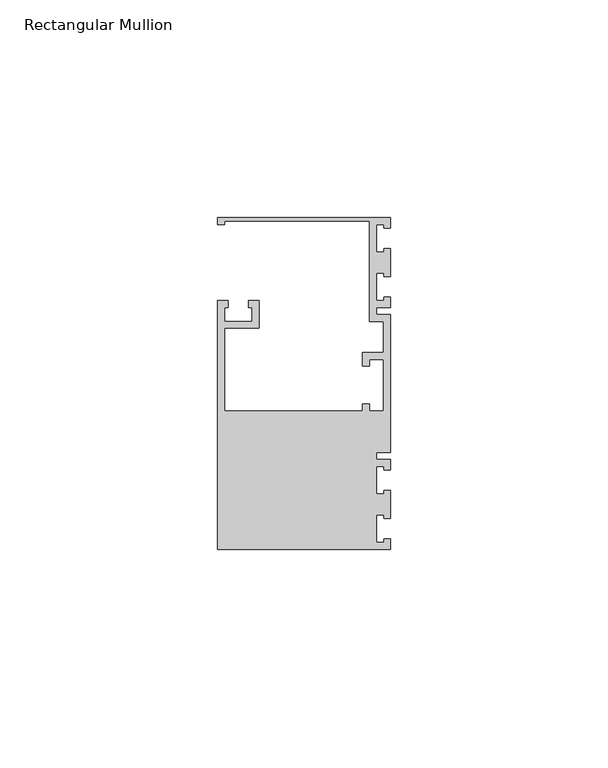
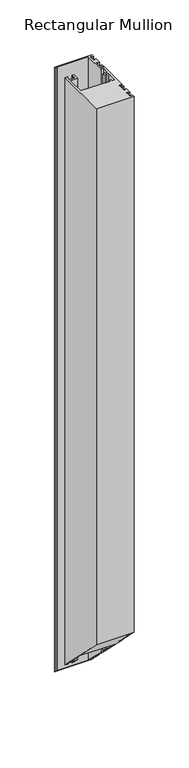
"""IFC4 building model written with IfcOpenShell, lengths in millimetres: member geometry, Rectangular Mullion."""

import ifcopenshell
import ifcopenshell.guid

model = None  # the IFC model being written
_history = None  # IfcOwnerHistory: only IFC2X3 demands one
_inside = {}  # id of a spatial element -> (the spatial element, [elements in it])
_under = {}  # id of a project, library or spatial element -> (it, [spatial elements below it])
_declared = {}  # id of a project -> (the project, [libraries it declares])
_typed = {}  # id of a type object -> (the type object, [elements of that type])
_made_of = {}  # id of a material, layer set ... -> (it, [elements and type objects made of it])


def new_model(schema):
    """Start an empty IFC model of exactly this schema.

    Asked for "IFC4X3", IfcOpenShell would pick the latest addendum, in which some entities
    have other attributes; the version numbers below select the first issue.
    IFC2X3 requires an IfcOwnerHistory on every rooted entity: one is made here for all.
    """
    global model, _history
    if schema == "IFC4X3":
        model = ifcopenshell.file(schema_version=(4, 3, 0, 0))
    else:
        model = ifcopenshell.file(schema=schema)
    _inside.clear()
    _under.clear()
    _declared.clear()
    _typed.clear()
    _made_of.clear()
    _history = None
    if model.schema == "IFC2X3":
        org = make("IfcOrganization", Name="unknown")
        user = make(
            "IfcPersonAndOrganization",
            ThePerson=make("IfcPerson", FamilyName="unknown"),
            TheOrganization=org,
        )
        app = make(
            "IfcApplication",
            ApplicationDeveloper=org,
            Version="unknown",
            ApplicationFullName="unknown",
            ApplicationIdentifier="unknown",
        )
        _history = make(
            "IfcOwnerHistory",
            OwningUser=user,
            OwningApplication=app,
            ChangeAction="ADDED",
            CreationDate=0,
        )
    return model


def make(cls, **values):
    """One entity of the class cls with the attributes given. An attribute that is None is left unset."""
    return model.create_entity(
        cls, **{name: value for name, value in values.items() if value is not None}
    )


def rooted(cls, **values):
    """An entity with a GlobalId (a new one), such as an element, a storey or a relation."""
    return make(cls, GlobalId=ifcopenshell.guid.new(), OwnerHistory=_history, **values)


def si_unit(unit_type, name, prefix=None):
    """IfcSIUnit, for example si_unit("LENGTHUNIT", "METRE", prefix="MILLI")."""
    return make("IfcSIUnit", UnitType=unit_type, Prefix=prefix, Name=name)


def assignment(units):
    """IfcUnitAssignment: the units of a project."""
    return None if units is None else make("IfcUnitAssignment", Units=units)


def point(xyz):
    """IfcCartesianPoint."""
    return None if xyz is None else make("IfcCartesianPoint", Coordinates=xyz)


def direction(xyz):
    """IfcDirection."""
    return None if xyz is None else make("IfcDirection", DirectionRatios=xyz)


def frame(location, z_axis=None, x_axis=None):
    """IfcAxis2Placement3D, a coordinate frame: its origin and axes. An axis left out is left unset."""
    return make(
        "IfcAxis2Placement3D",
        Location=point(location),
        Axis=direction(z_axis),
        RefDirection=direction(x_axis),
    )


def origin():
    """The frame at (0, 0, 0) with its axes left unset."""
    return frame((0.0, 0.0, 0.0))


def place(relative_to, where):
    """IfcLocalPlacement: puts the frame where relative to a parent placement (None: the world)."""
    return make(
        "IfcLocalPlacement", PlacementRelTo=relative_to, RelativePlacement=where
    )


def context(
    kind, dimensions, precision=None, world=None, true_north=None, identifier=None
):
    """IfcGeometricRepresentationContext, for example the 3D "Model" context."""
    return make(
        "IfcGeometricRepresentationContext",
        ContextIdentifier=identifier,
        ContextType=kind,
        CoordinateSpaceDimension=dimensions,
        Precision=precision,
        WorldCoordinateSystem=world,
        TrueNorth=true_north,
    )


def project(units=None, contexts=None):
    """IfcProject with its units and contexts."""
    return rooted(
        "IfcProject",
        Name="project",
        RepresentationContexts=contexts,
        UnitsInContext=assignment(units),
    )


def spatial(cls, under=None, at=None, **own):
    """A site, building, storey or space (cls), placed at a placement, below another one or the project."""
    s = rooted(cls, ObjectPlacement=at, **own)
    if under is not None:
        _under.setdefault(under.id(), (under, []))[1].append(s)
    return s


def faces_of(points, faces, orient=None, outer=None):
    """IfcFace entities. A face is a list of loops; a loop is a list of indices into points, from 0.

    orient and outer hold one flag for each loop. By default every Orientation is true, the
    first loop of a face is its IfcFaceOuterBound and the others are IfcFaceBound.
    """
    made = []
    for i, loops in enumerate(faces):
        bounds = []
        for j, loop in enumerate(loops):
            is_outer = j == 0 if outer is None else outer[i][j]
            bounds.append(
                make(
                    "IfcFaceOuterBound" if is_outer else "IfcFaceBound",
                    Bound=make("IfcPolyLoop", Polygon=[points[k] for k in loop]),
                    Orientation=True if orient is None else orient[i][j],
                )
            )
        made.append(make("IfcFace", Bounds=bounds))
    return made


def faceted_brep(points, faces, orient=None, outer=None, voids=None):
    """IfcFacetedBrep: a solid bounded by flat faces; with voids (closed shells), ...WithVoids."""
    shared = [point(p) for p in points]
    hull = make("IfcClosedShell", CfsFaces=faces_of(shared, faces, orient, outer))
    if voids is None:
        return make("IfcFacetedBrep", Outer=hull)
    return make(
        "IfcFacetedBrepWithVoids",
        Outer=hull,
        Voids=[
            make(cls, CfsFaces=faces_of(shared, fs, o, b)) for cls, fs, o, b in voids
        ],
    )


def shape(context_of_items, identifier, shape_type, items):
    """IfcShapeRepresentation: the items that make up one representation, for example the "Body"."""
    return make(
        "IfcShapeRepresentation",
        ContextOfItems=context_of_items,
        RepresentationIdentifier=identifier,
        RepresentationType=shape_type,
        Items=items,
    )


def source(mapping_origin, context_of_items, identifier, shape_type, items):
    """IfcRepresentationMap: a shape defined once, which mapped items show again and again."""
    return make(
        "IfcRepresentationMap",
        MappingOrigin=mapping_origin,
        MappedRepresentation=shape(context_of_items, identifier, shape_type, items),
    )


def transform(
    local_origin,
    x_axis=None,
    y_axis=None,
    z_axis=None,
    scale=None,
    scale2=None,
    scale3=None,
    uniform=True,
):
    """IfcCartesianTransformationOperator3D, or its non-uniform kind. x_axis, y_axis, z_axis: its Axis1, 2, 3."""
    if uniform:
        return make(
            "IfcCartesianTransformationOperator3D",
            Axis1=direction(x_axis),
            Axis2=direction(y_axis),
            LocalOrigin=point(local_origin),
            Scale=scale,
            Axis3=direction(z_axis),
        )
    return make(
        "IfcCartesianTransformationOperator3DnonUniform",
        Axis1=direction(x_axis),
        Axis2=direction(y_axis),
        LocalOrigin=point(local_origin),
        Scale=scale,
        Axis3=direction(z_axis),
        Scale2=scale2,
        Scale3=scale3,
    )


def mapped(mapping_source, mapping_target):
    """IfcMappedItem: shows the shape of a source again, moved by a transform."""
    return make(
        "IfcMappedItem", MappingSource=mapping_source, MappingTarget=mapping_target
    )


def made_of(thing, what):
    """Note that an element or type object is made of a material, layer set ...; save() writes the relation."""
    if what is not None:
        _made_of.setdefault(what.id(), (what, []))[1].append(thing)
    return thing


def element(
    cls,
    number,
    at=None,
    inside=None,
    cuts=None,
    type_object=None,
    material=None,
    context=None,
    identifier="Body",
    shape_type=None,
    held_by="IfcProductDefinitionShape",
    body=None,
    shapes=None,
    **own,
):
    """One element of the class cls, such as IfcWall. Its Tag is "e" and its number.

    at: its placement. inside: the storey or other place that contains it. cuts: it is an
    opening in that element (IfcRelVoidsElement). A single representation is given by context,
    identifier, shape_type and body (its items); several are given by shapes. held_by: the class
    of the entity that holds the representations. save() writes the other relations.
    """
    e = rooted(cls, Tag="e%d" % number, ObjectPlacement=at, **own)
    if body is not None:
        shapes = [shape(context, identifier, shape_type, body)]
    if shapes is not None:
        e.Representation = make(held_by, Representations=shapes)
    if inside is not None:
        _inside.setdefault(inside.id(), (inside, []))[1].append(e)
    if cuts is not None:
        rooted(
            "IfcRelVoidsElement", RelatingBuildingElement=cuts, RelatedOpeningElement=e
        )
    if type_object is not None:
        _typed.setdefault(type_object.id(), (type_object, []))[1].append(e)
    return made_of(e, material)


def aggregate(whole, parts):
    """IfcRelAggregates: a whole, such as a stair, and the parts it consists of."""
    return rooted("IfcRelAggregates", RelatingObject=whole, RelatedObjects=parts)


def save(model, path):
    """Write the relations noted so far, then the file.

    IfcRelAggregates (storeys below a building ...), IfcRelContainedInSpatialStructure (elements
    in a storey), IfcRelDefinesByType, IfcRelAssociatesMaterial and IfcRelDeclares: one each for
    every whole, place, type object, material and project.
    """
    for whole, parts in _under.values():
        aggregate(whole, parts)
    for where, things in _inside.values():
        rooted(
            "IfcRelContainedInSpatialStructure",
            RelatedElements=things,
            RelatingStructure=where,
        )
    for kind, things in _typed.values():
        rooted("IfcRelDefinesByType", RelatedObjects=things, RelatingType=kind)
    for what, things in _made_of.values():
        rooted("IfcRelAssociatesMaterial", RelatedObjects=things, RelatingMaterial=what)
    for by, libraries in _declared.values():
        rooted("IfcRelDeclares", RelatingContext=by, RelatedDefinitions=libraries)
    model.write(path)


def rectangular_mullion_adbbe4f5(model_context):
    return source(origin(), model_context, "Body", "Brep", [
        faceted_brep([(0.0, 38.1, 0.0), (-39.6875, 38.1, 0.0), (-39.6875, 36.5125, 0.0), (-38.1, 36.5125, 0.0), (-38.1, 37.30625, 0.0), (-4.7625, 37.30625, 0.0), (-4.7625, 14.2875, 0.0), (-1.5875, 14.2875, 0.0), (-1.5875, 7.14375, 0.0), (-6.35, 7.14375, 0.0), (-6.35, 3.96875, 0.0), (-4.7625, 3.96875, 0.0), (-4.7625, 5.55625, 0.0), (-1.5875, 5.55625, 0.0), (-1.5875, -6.35, 0.0), (-4.7625, -6.35, 0.0), (-4.7625, -4.7625, 0.0), (-6.35, -4.7625, 0.0), (-6.35, -6.35, 0.0), (-38.1, -6.35, 0.0), (-38.1, 12.7, 0.0), (-30.1625, 12.7, 0.0), (-30.1625, 19.05, 0.0), (-32.54375, 19.05, 0.0), (-32.54375, 17.4625, 0.0), (-31.75, 17.4625, 0.0), (-31.75, 14.2875, 0.0), (-38.1, 14.2875, 0.0), (-38.1, 17.4625, 0.0), (-37.30625, 17.4625, 0.0), (-37.30625, 19.05, 0.0), (-39.6875, 19.05, 0.0), (-39.6875, -38.1, 0.0), (0.0, -38.1, 0.0), (0.0, -35.71875, 0.0), (-1.4999946, -35.71875, 0.0), (-1.4999946, -36.5125, 0.0), (-3.175, -36.5125, 0.0), (-3.175, -30.1625, 0.0), (-1.4999946, -30.1625, 0.0), (-1.4999946, -30.95625, 0.0), (0.0, -30.95625, 0.0), (0.0, -24.60625, 0.0), (-1.4999946, -24.60625, 0.0), (-1.4999946, -25.4, 0.0), (-3.175, -25.4, 0.0), (-3.175, -19.05, 0.0), (-1.4999946, -19.05, 0.0), (-1.4999946, -19.84375, 0.0), (0.0, -19.84375, 0.0), (0.0, -17.4625, 0.0), (-3.175, -17.4625, 0.0), (-3.175, -15.875, 0.0), (0.0, -15.875, 0.0), (0.0, 15.875, 0.0), (-3.175, 15.875, 0.0), (-3.175, 17.4625, 0.0), (0.0, 17.4625, 0.0), (0.0, 19.84375, 0.0), (-1.4999946, 19.84375, 0.0), (-1.4999946, 19.05, 0.0), (-3.175, 19.05, 0.0), (-3.175, 25.4, 0.0), (-1.4999946, 25.4, 0.0), (-1.4999946, 24.60625, 0.0), (0.0, 24.60625, 0.0), (0.0, 30.95625, 0.0), (-1.4999946, 30.95625, 0.0), (-1.4999946, 30.1625, 0.0), (-3.175, 30.1625, 0.0), (-3.175, 36.5125, 0.0), (-1.4999946, 36.5125, 0.0), (-1.4999946, 35.71875, 0.0), (0.0, 35.71875, 0.0), (0.0, 38.1, -673.1), (-39.6875, 38.1, -673.1), (-39.6875, 36.5125, -671.5125), (-38.1, 36.5125, -671.5125), (-38.1, 37.30625, -672.30625), (-4.7625, 37.30625, -672.30625), (-4.7625, 14.2875, -649.2875), (-1.5875, 14.2875, -649.2875), (-1.5875, 7.14375, -642.14375), (-6.35, 7.14375, -642.14375), (-6.35, 3.96875, -638.96875), (-4.7625, 3.96875, -638.96875), (-4.7625, 5.55625, -640.55625), (-1.5875, 5.55625, -640.55625), (-1.5875, -6.35, -628.65), (-4.7625, -6.35, -628.65), (-4.7625, -4.7625, -630.2375), (-6.35, -4.7625, -630.2375), (-6.35, -6.35, -628.65), (-38.1, -6.35, -628.65), (-38.1, 12.7, -647.7), (-30.1625, 12.7, -647.7), (-30.1625, 19.05, -654.05), (-32.54375, 19.05, -654.05), (-32.54375, 17.4625, -652.4625), (-31.75, 17.4625, -652.4625), (-31.75, 14.2875, -649.2875), (-38.1, 14.2875, -649.2875), (-38.1, 17.4625, -652.4625), (-37.30625, 17.4625, -652.4625), (-37.30625, 19.05, -654.05), (-39.6875, 19.05, -654.05), (-39.6875, -38.1, -596.9), (0.0, -38.1, -596.9), (0.0, -35.71875, -599.28125), (-1.4999946, -35.71875, -599.28125), (-1.4999946, -36.5125, -598.4875), (-3.175, -36.5125, -598.4875), (-3.175, -30.1625, -604.8375), (-1.4999946, -30.1625, -604.8375), (-1.4999946, -30.95625, -604.04375), (0.0, -30.95625, -604.04375), (0.0, -24.60625, -610.39375), (-1.4999946, -24.60625, -610.39375), (-1.4999946, -25.4, -609.6), (-3.175, -25.4, -609.6), (-3.175, -19.05, -615.95), (-1.4999946, -19.05, -615.95), (-1.4999946, -19.84375, -615.15625), (0.0, -19.84375, -615.15625), (0.0, -17.4625, -617.5375), (-3.175, -17.4625, -617.5375), (-3.175, -15.875, -619.125), (0.0, -15.875, -619.125), (0.0, 15.875, -650.875), (-3.175, 15.875, -650.875), (-3.175, 17.4625, -652.4625), (0.0, 17.4625, -652.4625), (0.0, 19.84375, -654.84375), (-1.4999946, 19.84375, -654.84375), (-1.4999946, 19.05, -654.05), (-3.175, 19.05, -654.05), (-3.175, 25.4, -660.4), (-1.4999946, 25.4, -660.4), (-1.4999946, 24.60625, -659.60625), (0.0, 24.60625, -659.60625), (0.0, 30.95625, -665.95625), (-1.4999946, 30.95625, -665.95625), (-1.4999946, 30.1625, -665.1625), (-3.175, 30.1625, -665.1625), (-3.175, 36.5125, -671.5125), (-1.4999946, 36.5125, -671.5125), (-1.4999946, 35.71875, -670.71875), (0.0, 35.71875, -670.71875)], [[[0, 1, 2, 3, 4, 5, 6, 7, 8, 9, 10, 11, 12, 13, 14, 15, 16, 17, 18, 19, 20, 21, 22, 23, 24, 25, 26, 27, 28, 29, 30, 31, 32, 33, 34, 35, 36, 37, 38, 39, 40, 41, 42, 43, 44, 45, 46, 47, 48, 49, 50, 51, 52, 53, 54, 55, 56, 57, 58, 59, 60, 61, 62, 63, 64, 65, 66, 67, 68, 69, 70, 71, 72, 73]], [[1, 0, 74, 75]], [[2, 1, 75, 76]], [[3, 2, 76, 77]], [[4, 3, 77, 78]], [[5, 4, 78, 79]], [[6, 5, 79, 80]], [[7, 6, 80, 81]], [[8, 7, 81, 82]], [[9, 8, 82, 83]], [[10, 9, 83, 84]], [[11, 10, 84, 85]], [[12, 11, 85, 86]], [[13, 12, 86, 87]], [[14, 13, 87, 88]], [[15, 14, 88, 89]], [[16, 15, 89, 90]], [[17, 16, 90, 91]], [[18, 17, 91, 92]], [[19, 18, 92, 93]], [[20, 19, 93, 94]], [[21, 20, 94, 95]], [[22, 21, 95, 96]], [[23, 22, 96, 97]], [[24, 23, 97, 98]], [[25, 24, 98, 99]], [[26, 25, 99, 100]], [[27, 26, 100, 101]], [[28, 27, 101, 102]], [[29, 28, 102, 103]], [[30, 29, 103, 104]], [[31, 30, 104, 105]], [[32, 31, 105, 106]], [[33, 32, 106, 107]], [[34, 33, 107, 108]], [[35, 34, 108, 109]], [[36, 35, 109, 110]], [[37, 36, 110, 111]], [[38, 37, 111, 112]], [[39, 38, 112, 113]], [[40, 39, 113, 114]], [[41, 40, 114, 115]], [[42, 41, 115, 116]], [[43, 42, 116, 117]], [[44, 43, 117, 118]], [[45, 44, 118, 119]], [[46, 45, 119, 120]], [[47, 46, 120, 121]], [[48, 47, 121, 122]], [[49, 48, 122, 123]], [[50, 49, 123, 124]], [[51, 50, 124, 125]], [[52, 51, 125, 126]], [[53, 52, 126, 127]], [[54, 53, 127, 128]], [[55, 54, 128, 129]], [[56, 55, 129, 130]], [[57, 56, 130, 131]], [[58, 57, 131, 132]], [[59, 58, 132, 133]], [[60, 59, 133, 134]], [[61, 60, 134, 135]], [[62, 61, 135, 136]], [[63, 62, 136, 137]], [[64, 63, 137, 138]], [[65, 64, 138, 139]], [[66, 65, 139, 140]], [[67, 66, 140, 141]], [[68, 67, 141, 142]], [[69, 68, 142, 143]], [[70, 69, 143, 144]], [[71, 70, 144, 145]], [[72, 71, 145, 146]], [[73, 72, 146, 147]], [[0, 73, 147, 74]], [[74, 147, 146, 145, 144, 143, 142, 141, 140, 139, 138, 137, 136, 135, 134, 133, 132, 131, 130, 129, 128, 127, 126, 125, 124, 123, 122, 121, 120, 119, 118, 117, 116, 115, 114, 113, 112, 111, 110, 109, 108, 107, 106, 105, 104, 103, 102, 101, 100, 99, 98, 97, 96, 95, 94, 93, 92, 91, 90, 89, 88, 87, 86, 85, 84, 83, 82, 81, 80, 79, 78, 77, 76, 75]]]),
    ])


if __name__ == "__main__":
    model = new_model("IFC4")
    model_context = context("Model", 3, world=origin())
    ifc_project = project(units=[si_unit("LENGTHUNIT", "METRE", prefix="MILLI")], contexts=[model_context])
    site = spatial("IfcSite", under=ifc_project)
    building = spatial("IfcBuilding", under=site)
    placement = place(None, origin())
    rectangular_mullion_shape = rectangular_mullion_adbbe4f5(model_context)
    element("IfcMember", 1, ObjectType="Rectangular Mullion", at=placement, inside=building, context=model_context, shape_type="MappedRepresentation", body=[
        mapped(rectangular_mullion_shape, transform((0.0, 0.0, 0.0), x_axis=(1.0, 0.0, 0.0), y_axis=(0.0, 1.0, 0.0), z_axis=(0.0, 0.0, 1.0))),
    ])
    save(model, "model.ifc")
